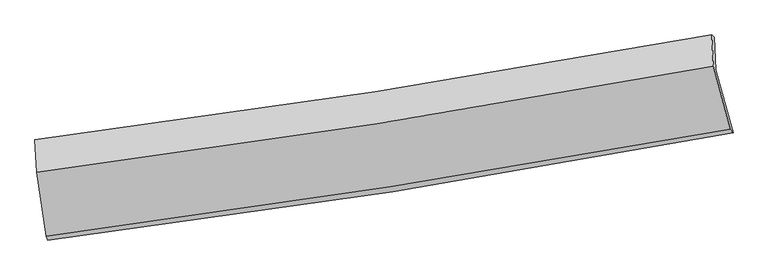
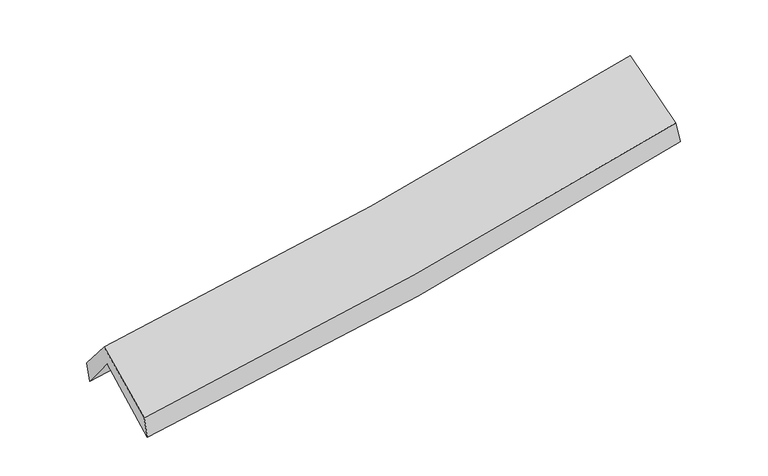
"""IFC4 building model written with IfcOpenShell, lengths in millimetres: proxy geometry."""

import ifcopenshell
import ifcopenshell.guid

model = None  # the IFC model being written
_history = None  # IfcOwnerHistory: only IFC2X3 demands one
_inside = {}  # id of a spatial element -> (the spatial element, [elements in it])
_under = {}  # id of a project, library or spatial element -> (it, [spatial elements below it])
_declared = {}  # id of a project -> (the project, [libraries it declares])
_typed = {}  # id of a type object -> (the type object, [elements of that type])
_made_of = {}  # id of a material, layer set ... -> (it, [elements and type objects made of it])


def new_model(schema):
    """Start an empty IFC model of exactly this schema.

    Asked for "IFC4X3", IfcOpenShell would pick the latest addendum, in which some entities
    have other attributes; the version numbers below select the first issue.
    IFC2X3 requires an IfcOwnerHistory on every rooted entity: one is made here for all.
    """
    global model, _history
    if schema == "IFC4X3":
        model = ifcopenshell.file(schema_version=(4, 3, 0, 0))
    else:
        model = ifcopenshell.file(schema=schema)
    _inside.clear()
    _under.clear()
    _declared.clear()
    _typed.clear()
    _made_of.clear()
    _history = None
    if model.schema == "IFC2X3":
        org = make("IfcOrganization", Name="unknown")
        user = make(
            "IfcPersonAndOrganization",
            ThePerson=make("IfcPerson", FamilyName="unknown"),
            TheOrganization=org,
        )
        app = make(
            "IfcApplication",
            ApplicationDeveloper=org,
            Version="unknown",
            ApplicationFullName="unknown",
            ApplicationIdentifier="unknown",
        )
        _history = make(
            "IfcOwnerHistory",
            OwningUser=user,
            OwningApplication=app,
            ChangeAction="ADDED",
            CreationDate=0,
        )
    return model


def make(cls, **values):
    """One entity of the class cls with the attributes given. An attribute that is None is left unset."""
    return model.create_entity(
        cls, **{name: value for name, value in values.items() if value is not None}
    )


def rooted(cls, **values):
    """An entity with a GlobalId (a new one), such as an element, a storey or a relation."""
    return make(cls, GlobalId=ifcopenshell.guid.new(), OwnerHistory=_history, **values)


def si_unit(unit_type, name, prefix=None):
    """IfcSIUnit, for example si_unit("LENGTHUNIT", "METRE", prefix="MILLI")."""
    return make("IfcSIUnit", UnitType=unit_type, Prefix=prefix, Name=name)


def assignment(units):
    """IfcUnitAssignment: the units of a project."""
    return None if units is None else make("IfcUnitAssignment", Units=units)


def point(xyz):
    """IfcCartesianPoint."""
    return None if xyz is None else make("IfcCartesianPoint", Coordinates=xyz)


def direction(xyz):
    """IfcDirection."""
    return None if xyz is None else make("IfcDirection", DirectionRatios=xyz)


def frame(location, z_axis=None, x_axis=None):
    """IfcAxis2Placement3D, a coordinate frame: its origin and axes. An axis left out is left unset."""
    return make(
        "IfcAxis2Placement3D",
        Location=point(location),
        Axis=direction(z_axis),
        RefDirection=direction(x_axis),
    )


def origin():
    """The frame at (0, 0, 0) with its axes left unset."""
    return frame((0.0, 0.0, 0.0))


def place(relative_to, where):
    """IfcLocalPlacement: puts the frame where relative to a parent placement (None: the world)."""
    return make(
        "IfcLocalPlacement", PlacementRelTo=relative_to, RelativePlacement=where
    )


def context(
    kind, dimensions, precision=None, world=None, true_north=None, identifier=None
):
    """IfcGeometricRepresentationContext, for example the 3D "Model" context."""
    return make(
        "IfcGeometricRepresentationContext",
        ContextIdentifier=identifier,
        ContextType=kind,
        CoordinateSpaceDimension=dimensions,
        Precision=precision,
        WorldCoordinateSystem=world,
        TrueNorth=true_north,
    )


def project(units=None, contexts=None):
    """IfcProject with its units and contexts."""
    return rooted(
        "IfcProject",
        Name="project",
        RepresentationContexts=contexts,
        UnitsInContext=assignment(units),
    )


def spatial(cls, under=None, at=None, **own):
    """A site, building, storey or space (cls), placed at a placement, below another one or the project."""
    s = rooted(cls, ObjectPlacement=at, **own)
    if under is not None:
        _under.setdefault(under.id(), (under, []))[1].append(s)
    return s


def shape(context_of_items, identifier, shape_type, items):
    """IfcShapeRepresentation: the items that make up one representation, for example the "Body"."""
    return make(
        "IfcShapeRepresentation",
        ContextOfItems=context_of_items,
        RepresentationIdentifier=identifier,
        RepresentationType=shape_type,
        Items=items,
    )


def source(mapping_origin, context_of_items, identifier, shape_type, items):
    """IfcRepresentationMap: a shape defined once, which mapped items show again and again."""
    return make(
        "IfcRepresentationMap",
        MappingOrigin=mapping_origin,
        MappedRepresentation=shape(context_of_items, identifier, shape_type, items),
    )


def transform(
    local_origin,
    x_axis=None,
    y_axis=None,
    z_axis=None,
    scale=None,
    scale2=None,
    scale3=None,
    uniform=True,
):
    """IfcCartesianTransformationOperator3D, or its non-uniform kind. x_axis, y_axis, z_axis: its Axis1, 2, 3."""
    if uniform:
        return make(
            "IfcCartesianTransformationOperator3D",
            Axis1=direction(x_axis),
            Axis2=direction(y_axis),
            LocalOrigin=point(local_origin),
            Scale=scale,
            Axis3=direction(z_axis),
        )
    return make(
        "IfcCartesianTransformationOperator3DnonUniform",
        Axis1=direction(x_axis),
        Axis2=direction(y_axis),
        LocalOrigin=point(local_origin),
        Scale=scale,
        Axis3=direction(z_axis),
        Scale2=scale2,
        Scale3=scale3,
    )


def mapped(mapping_source, mapping_target):
    """IfcMappedItem: shows the shape of a source again, moved by a transform."""
    return make(
        "IfcMappedItem", MappingSource=mapping_source, MappingTarget=mapping_target
    )


def made_of(thing, what):
    """Note that an element or type object is made of a material, layer set ...; save() writes the relation."""
    if what is not None:
        _made_of.setdefault(what.id(), (what, []))[1].append(thing)
    return thing


def element(
    cls,
    number,
    at=None,
    inside=None,
    cuts=None,
    type_object=None,
    material=None,
    context=None,
    identifier="Body",
    shape_type=None,
    held_by="IfcProductDefinitionShape",
    body=None,
    shapes=None,
    **own,
):
    """One element of the class cls, such as IfcWall. Its Tag is "e" and its number.

    at: its placement. inside: the storey or other place that contains it. cuts: it is an
    opening in that element (IfcRelVoidsElement). A single representation is given by context,
    identifier, shape_type and body (its items); several are given by shapes. held_by: the class
    of the entity that holds the representations. save() writes the other relations.
    """
    e = rooted(cls, Tag="e%d" % number, ObjectPlacement=at, **own)
    if body is not None:
        shapes = [shape(context, identifier, shape_type, body)]
    if shapes is not None:
        e.Representation = make(held_by, Representations=shapes)
    if inside is not None:
        _inside.setdefault(inside.id(), (inside, []))[1].append(e)
    if cuts is not None:
        rooted(
            "IfcRelVoidsElement", RelatingBuildingElement=cuts, RelatedOpeningElement=e
        )
    if type_object is not None:
        _typed.setdefault(type_object.id(), (type_object, []))[1].append(e)
    return made_of(e, material)


def aggregate(whole, parts):
    """IfcRelAggregates: a whole, such as a stair, and the parts it consists of."""
    return rooted("IfcRelAggregates", RelatingObject=whole, RelatedObjects=parts)


def save(model, path):
    """Write the relations noted so far, then the file.

    IfcRelAggregates (storeys below a building ...), IfcRelContainedInSpatialStructure (elements
    in a storey), IfcRelDefinesByType, IfcRelAssociatesMaterial and IfcRelDeclares: one each for
    every whole, place, type object, material and project.
    """
    for whole, parts in _under.values():
        aggregate(whole, parts)
    for where, things in _inside.values():
        rooted(
            "IfcRelContainedInSpatialStructure",
            RelatedElements=things,
            RelatingStructure=where,
        )
    for kind, things in _typed.values():
        rooted("IfcRelDefinesByType", RelatedObjects=things, RelatingType=kind)
    for what, things in _made_of.values():
        rooted("IfcRelAssociatesMaterial", RelatedObjects=things, RelatingMaterial=what)
    for by, libraries in _declared.values():
        rooted("IfcRelDeclares", RelatingContext=by, RelatedDefinitions=libraries)
    model.write(path)


def plane_surface(at):
    """IfcPlane: the flat surface through the origin of the frame at, square to its z axis."""
    return make("IfcPlane", Position=at)


def spline_curve(degree, points, multiplicities, knots, weights=None):
    """IfcBSplineCurveWithKnots; with weights, IfcRationalBSplineCurveWithKnots."""
    own = dict(
        Degree=degree,
        ControlPointsList=[point(p) for p in points],
        CurveForm="UNSPECIFIED",
        ClosedCurve=False,
        SelfIntersect=False,
        KnotMultiplicities=multiplicities,
        Knots=knots,
        KnotSpec="UNSPECIFIED",
    )
    if weights is None:
        return make("IfcBSplineCurveWithKnots", **own)
    return make("IfcRationalBSplineCurveWithKnots", WeightsData=weights, **own)


def spline_surface(u_degree, v_degree, points, u_multiplicities, v_multiplicities, u_knots, v_knots, weights=None):
    """IfcBSplineSurfaceWithKnots; with weights, IfcRationalBSplineSurfaceWithKnots. points: one row for each step in u."""
    own = dict(
        UDegree=u_degree,
        VDegree=v_degree,
        ControlPointsList=[[point(p) for p in row] for row in points],
        SurfaceForm="UNSPECIFIED",
        UClosed=False,
        VClosed=False,
        SelfIntersect=False,
        UMultiplicities=u_multiplicities,
        VMultiplicities=v_multiplicities,
        UKnots=u_knots,
        VKnots=v_knots,
        KnotSpec="UNSPECIFIED",
    )
    if weights is None:
        return make("IfcBSplineSurfaceWithKnots", **own)
    return make("IfcRationalBSplineSurfaceWithKnots", WeightsData=weights, **own)


def advanced_brep(points, edges, surfaces, faces):
    """IfcAdvancedBrep: a solid bounded by faces that lie on surfaces and meet in shared edges.

    An edge is (start, end): straight between two places in points (the first is 0);
    or (start, end, curve); or (start, end, curve, False) where it runs against its curve.
    A face is (place in surfaces, loops), or (place, loops, False) where it looks against
    its surface's normal. A loop lists edges by number (the first is 1), with a minus sign
    where the edge is run from its end to its start. The first loop is the outer one.
    """
    corners = [point(p) for p in points]
    vertices = [make("IfcVertexPoint", VertexGeometry=c) for c in corners]
    made = []
    for start, end, *more in edges:
        made.append(
            make(
                "IfcEdgeCurve",
                EdgeStart=vertices[start],
                EdgeEnd=vertices[end],
                EdgeGeometry=more[0] if more else make("IfcPolyline", Points=[corners[start], corners[end]]),
                SameSense=more[1] if len(more) > 1 else True,
            )
        )
    hull = []
    for where, loops, *sense in faces:
        bounds = []
        for j, loop in enumerate(loops):
            ring = [make("IfcOrientedEdge", EdgeElement=made[abs(k) - 1], Orientation=k > 0) for k in loop]
            bounds.append(
                make(
                    "IfcFaceOuterBound" if j == 0 else "IfcFaceBound",
                    Bound=make("IfcEdgeLoop", EdgeList=ring),
                    Orientation=True,
                )
            )
        hull.append(make("IfcAdvancedFace", Bounds=bounds, FaceSurface=surfaces[where], SameSense=sense[0] if sense else True))
    return make("IfcAdvancedBrep", Outer=make("IfcClosedShell", CfsFaces=hull))


def generic_models_81a8c897(model_context):
    return source(origin(), model_context, "Body", "AdvancedBrep", [
        advanced_brep(
        [(-2595.3371022, -2482.626235, 1477.3538275), (-2673.2021388, -1985.9971169, 1907.9198438), (2602.5021183, -1156.1400806, 2376.1829925), (2736.5364451, -1647.0433885, 1950.2981455), (-2685.4917185, -1728.2031854, 1589.1399885), (2589.5184567, -904.3534899, 2073.985781), (-2696.9442268, -1703.3779665, 1756.4109326), (2570.2900955, -886.357197, 2223.2486388), (-2684.4858378, -1954.6364895, 2057.848693), (2582.9234149, -1131.1124361, 2516.8924843), (-2607.5809819, -2453.7862145, 1651.2267054), (2713.6314794, -1621.7085051, 2121.5467747)],
        [
            (0, 1),
            (1, 2, spline_curve(3, [(-2673.2021388, -1985.9971169, 1907.9198438), (-1784.959602151, -1883.467620833, 1970.159207812), (-900.257591241, -1762.860436166, 2040.40200384), (858.280141212, -1486.08644356, 2196.558333467), (1732.146216413, -1330.074616188, 2282.403254072), (2602.5021183, -1156.1400806, 2376.1829925)], [4, 2, 4], [0.0, 8.862403109289772, 17.68673567935017])),
            (2, 3),
            (3, 0, spline_curve(3, [(2736.5364451, -1647.0433885, 1950.2981455), (1856.703794497, -1813.583763451, 1841.71644044), (973.428500682, -1966.36565186, 1748.066186125), (-803.832912464, -2245.012238808, 1590.288965629), (-1697.848801175, -2370.757966295, 1526.2911138), (-2595.3371022, -2482.626235, 1477.3538275)], [4, 2, 4], [0.0, 8.824332570060399, 17.68673567935017])),
            (1, 4),
            (4, 5, spline_curve(3, [(-2685.4917185, -1728.2031854, 1589.1399885), (-1797.842681779, -1620.52969045, 1649.944931823), (-913.494871786, -1497.858812194, 1720.859903481), (844.813551543, -1223.113674041, 1882.561841355), (1718.802466884, -1071.16798736, 1973.262133811), (2589.5184567, -904.3534899, 2073.985781)], [4, 2, 4], [0.0, 8.815577926727572, 17.593286462822565])),
            (5, 2),
            (4, 6),
            (6, 7, spline_curve(3, [(-2696.9442268, -1703.3779665, 1756.4109326), (-1811.714283419, -1590.958640096, 1814.749764677), (-929.22419684, -1466.491483103, 1882.927193401), (826.497088588, -1194.047940568, 2038.624108791), (1699.751776019, -1046.174840971, 2126.059248579), (2570.2900955, -886.357197, 2223.2486388)], [4, 2, 4], [0.0, 8.806487005213524, 17.57514367198831])),
            (7, 5),
            (6, 8),
            (8, 9, spline_curve(3, [(-2684.4858378, -1954.6364895, 2057.848693), (-1799.230377106, -1841.089191365, 2114.868966165), (-916.712918878, -1715.514986661, 2181.736242738), (839.066692281, -1440.90386211, 2334.835258609), (1712.352318354, -1291.970048948, 2420.982578964), (2582.9234149, -1131.1124361, 2516.8924843)], [4, 2, 4], [0.0, 8.798168371356422, 17.55854213892448])),
            (9, 7),
            (8, 10),
            (10, 11, spline_curve(3, [(-2607.5809819, -2453.7862145, 1651.2267054), (-1713.526626065, -2336.794923409, 1709.613734335), (-822.116266606, -2208.786552272, 1778.106657359), (951.598553433, -1931.332866287, 1934.966651716), (1833.925681347, -1781.982001024, 2023.247085104), (2713.6314794, -1621.7085051, 2121.5467747)], [4, 2, 4], [0.0, 8.84392053969212, 17.649849936384335])),
            (11, 9),
            (10, 0),
            (3, 11),
        ],
        [
            spline_surface(3, 3, [[(-2595.3371022, -2482.626235, 1477.3538275), (-1697.848801218, -2370.757966233, 1526.291113812), (-803.83291257, -2245.012238941, 1590.288965639), (973.428500788, -1966.365651728, 1748.066186116), (1856.70379462, -1813.583763555, 1841.716440319), (2736.5364451, -1647.0433885, 1950.2981455)], [(-2621.292114425, -2317.083195633, 1620.875832934), (-1726.885734845, -2208.327851051, 1674.247145182), (-835.974472165, -2084.294971309, 1740.326645008), (935.045714318, -1806.272582348, 1897.563568592), (1815.184601888, -1652.414047757, 1988.612044881), (2691.858336189, -1483.408952531, 2092.259761187)], [(-2647.247126575, -2151.540156267, 1764.397838366), (-1755.922668398, -2045.897735871, 1822.20317655), (-868.116031787, -1923.577703724, 1890.364324385), (896.662927821, -1646.179513014, 2047.060951076), (1773.66540909, -1491.244331965, 2135.507649382), (2647.180227211, -1319.774516569, 2234.221376813)], [(-2673.2021388, -1985.9971169, 1907.9198438), (-1784.959602025, -1883.467620688, 1970.159207921), (-900.257591381, -1762.860436092, 2040.402003754), (858.280141352, -1486.086443634, 2196.558333552), (1732.146216358, -1330.074616167, 2282.403253943), (2602.5021183, -1156.1400806, 2376.1829925)]], [4, 4], [4, 2, 4], [0.0, 2.18768418512291], [0.0, 8.862403109289772, 17.68673567935017]),
            spline_surface(3, 3, [[(-2673.2021388, -1985.9971169, 1907.9198438), (-1784.959602025, -1883.467620688, 1970.159207921), (-900.257591381, -1762.860436092, 2040.402003754), (858.280141352, -1486.086443634, 2196.558333552), (1732.146216358, -1330.074616167, 2282.403253943), (2602.5021183, -1156.1400806, 2376.1829925)], [(-2677.298665346, -1900.065806409, 1801.659892048), (-1789.253961961, -1795.821643992, 1863.421115941), (-904.670018238, -1674.52656142, 1933.887970382), (853.791278111, -1398.428853775, 2091.892836113), (1727.698299817, -1243.772406594, 2179.356213865), (2598.174231086, -1072.211217041, 2275.450588658)], [(-2681.395191954, -1814.134495891, 1695.399940252), (-1793.548321958, -1708.175667269, 1756.683023916), (-909.082445055, -1586.192686799, 1827.373936992), (849.302414911, -1310.771263966, 1987.227338655), (1723.250383318, -1157.470196998, 2076.309173815), (2593.846343914, -988.282353459, 2174.718184842)], [(-2685.4917185, -1728.2031854, 1589.1399885), (-1797.842681893, -1620.529690572, 1649.944931935), (-913.494871913, -1497.858812128, 1720.85990362), (844.81355167, -1223.113674107, 1882.561841216), (1718.802466776, -1071.167987425, 1973.262133737), (2589.5184567, -904.3534899, 2073.985781)]], [4, 4], [4, 2, 4], [0.0, 1.3536004110848279], [0.0, 8.815577926727572, 17.593286462822565]),
            spline_surface(3, 3, [[(-2685.4917185, -1728.2031854, 1589.1399885), (-1797.842681893, -1620.529690572, 1649.944931935), (-913.494871913, -1497.858812128, 1720.85990362), (844.81355167, -1223.113674107, 1882.561841216), (1718.802466776, -1071.167987425, 1973.262133737), (2589.5184567, -904.3534899, 2073.985781)], [(-2689.309221279, -1719.92811242, 1644.896969844), (-1802.466549048, -1610.672673744, 1704.879876152), (-918.737980182, -1487.403035828, 1774.882333596), (838.708063958, -1213.425096232, 1934.582597065), (1712.452236526, -1062.836938589, 2024.194505364), (2583.109002961, -898.354725623, 2123.74006695)], [(-2693.126724021, -1711.65303948, 1700.653951256), (-1807.090416166, -1600.815656955, 1759.814820439), (-923.981088483, -1476.947259509, 1828.904763512), (832.602576214, -1203.736518337, 1986.603352856), (1706.102006293, -1054.505889683, 2075.126876939), (2576.699549239, -892.355961277, 2173.49435285)], [(-2696.9442268, -1703.3779665, 1756.4109326), (-1811.714283321, -1590.958640126, 1814.749764656), (-929.224196753, -1466.491483209, 1882.927193488), (826.497088502, -1194.047940463, 2038.624108705), (1699.751776042, -1046.174840847, 2126.059248565), (2570.2900955, -886.357197, 2223.2486388)]], [4, 4], [4, 2, 4], [0.0, 0.5341690956610621], [0.0, 8.806487005213524, 17.57514367198831]),
            spline_surface(3, 3, [[(-2696.9442268, -1703.3779665, 1756.4109326), (-1811.714283321, -1590.958640126, 1814.749764656), (-929.224196753, -1466.491483209, 1882.927193488), (826.497088502, -1194.047940463, 2038.624108705), (1699.751776042, -1046.174840847, 2126.059248565), (2570.2900955, -886.357197, 2223.2486388)], [(-2692.791430461, -1787.130807517, 1856.890186083), (-1807.552981233, -1674.335490564, 1914.789498537), (-925.053770825, -1549.499317719, 1982.530209937), (830.686956445, -1276.333247652, 2137.36115862), (1703.951956861, -1128.106576851, 2224.367025353), (2574.501201987, -967.942276677, 2321.129920609)], [(-2688.638634139, -1870.883648483, 1957.369439517), (-1803.391679161, -1757.71234095, 2014.829232368), (-920.883344877, -1632.507152229, 2082.133226418), (834.876824408, -1358.618554843, 2236.098208565), (1708.152137619, -1210.038312926, 2322.674802214), (2578.712308413, -1049.527356423, 2419.011202491)], [(-2684.4858378, -1954.6364895, 2057.848693), (-1799.230377074, -1841.089191388, 2114.868966249), (-916.712918949, -1715.514986739, 2181.736242868), (839.066692351, -1440.903862033, 2334.83525848), (1712.352318438, -1291.97004893, 2420.982579002), (2582.9234149, -1131.1124361, 2516.8924843)]], [4, 4], [4, 2, 4], [0.0, 1.2712958726386188], [0.0, 8.798168371356422, 17.55854213892448]),
            spline_surface(3, 3, [[(-2684.4858378, -1954.6364895, 2057.848693), (-1799.230377074, -1841.089191388, 2114.868966249), (-916.712918949, -1715.514986739, 2181.736242868), (839.066692351, -1440.903862033, 2334.83525848), (1712.352318438, -1291.97004893, 2420.982579002), (2582.9234149, -1131.1124361, 2516.8924843)], [(-2658.850885844, -2121.019731164, 1922.308030468), (-1770.662460034, -2006.32443542, 1979.783888923), (-885.18070152, -1879.938841957, 2047.193047671), (876.577312708, -1604.380196788, 2201.545722894), (1752.876772696, -1455.307366281, 2288.404081074), (2626.492769726, -1294.644459112, 2385.110581126)], [(-2633.215933856, -2287.402972836, 1786.767367932), (-1742.094542962, -2171.559679461, 1844.698811594), (-853.648484057, -2044.36269711, 1912.649852512), (914.087933099, -1767.856531477, 2068.256187346), (1793.401226977, -1618.644683597, 2155.825583066), (2670.062124574, -1458.176482088, 2253.328677874)], [(-2607.5809819, -2453.7862145, 1651.2267054), (-1713.526625922, -2336.794923494, 1709.613734268), (-822.116266628, -2208.786552329, 1778.106657315), (951.598553456, -1931.332866231, 1934.96665176), (1833.925681234, -1781.982000948, 2023.247085138), (2713.6314794, -1621.7085051, 2121.5467747)]], [4, 4], [4, 2, 4], [0.0, 2.1111105585527747], [0.0, 8.84392053969212, 17.649849936384335]),
            spline_surface(3, 3, [[(-2607.5809819, -2453.7862145, 1651.2267054), (-1713.526625922, -2336.794923494, 1709.613734268), (-822.116266628, -2208.786552329, 1778.106657315), (951.598553456, -1931.332866231, 1934.96665176), (1833.925681234, -1781.982000948, 2023.247085138), (2713.6314794, -1621.7085051, 2121.5467747)], [(-2603.499688644, -2463.399554657, 1593.269079423), (-1708.300684332, -2348.115937731, 1648.506194106), (-816.021815264, -2220.861781204, 1715.500760089), (958.875202578, -1943.010461401, 1872.666496545), (1841.518385682, -1792.515921799, 1962.736870168), (2721.266467952, -1630.153466216, 2064.46389827)], [(-2599.418395456, -2473.012894843, 1535.311453477), (-1703.074742808, -2359.436951996, 1587.398653974), (-809.927363935, -2232.937010066, 1652.894862864), (966.151851665, -1954.688056558, 1810.366341331), (1849.111090173, -1803.049842703, 1902.226655289), (2728.901456548, -1638.598427384, 2007.38102193)], [(-2595.3371022, -2482.626235, 1477.3538275), (-1697.848801218, -2370.757966233, 1526.291113812), (-803.83291257, -2245.012238941, 1590.288965639), (973.428500788, -1966.365651728, 1748.066186116), (1856.70379462, -1813.583763555, 1841.716440319), (2736.5364451, -1647.0433885, 1950.2981455)]], [4, 4], [4, 2, 4], [0.0, 0.6291665880532394], [0.0, 8.899135962899853, 17.760043591948815]),
            plane_surface(frame((2632.5670016, -1224.4525162, 2210.3591361), z_axis=(0.9787409383622112, 0.1762868655668833, 0.10482898741503674), x_axis=(0.20312664720090537, -0.7624099938435812, -0.6143863332499752))),
            plane_surface(frame((-2657.1736677, -2051.437868, 1739.9833318), z_axis=(-0.9924888012013782, -0.11097544814121627, -0.05148232123465055), x_axis=(-0.06930239755386895, 0.16323931647760562, 0.9841494313615233))),
        ],
        [
            (0, [[1, 2, 3, 4]]),
            (1, [[5, 6, 7, -2]]),
            (2, [[8, 9, 10, -6]]),
            (3, [[11, 12, 13, -9]]),
            (4, [[14, 15, 16, -12]]),
            (5, [[17, -4, 18, -15]]),
            (6, [[-16, -18, -3, -7, -10, -13]]),
            (7, [[-17, -14, -11, -8, -5, -1]]),
        ],
    ),
    ])


if __name__ == "__main__":
    model = new_model("IFC4")
    model_context = context("Model", 3, world=origin())
    ifc_project = project(units=[si_unit("LENGTHUNIT", "METRE", prefix="MILLI")], contexts=[model_context])
    site = spatial("IfcSite", under=ifc_project)
    building = spatial("IfcBuilding", under=site)
    placement = place(None, origin())
    generic_models_shape = generic_models_81a8c897(model_context)
    element("IfcBuildingElementProxy", 1, Name="Generic Models", at=placement, inside=building, context=model_context, shape_type="MappedRepresentation", body=[
        mapped(generic_models_shape, transform((0.0, 0.0, 0.0), x_axis=(1.0, 0.0, 0.0), y_axis=(0.0, 1.0, 0.0), z_axis=(0.0, 0.0, 1.0))),
    ])
    save(model, "model.ifc")
